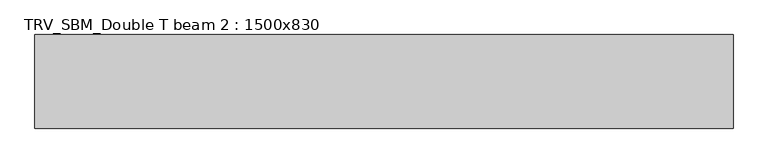
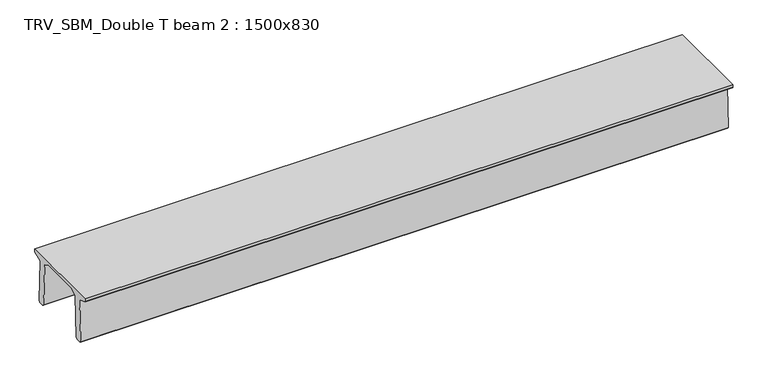
"""IFC4 building model written with IfcOpenShell, lengths in millimetres: beam geometry, TRV_SBM_Double T beam 2 : 1500x830."""

from ifc_helpers import new_model, si_unit, frame, origin, place, context, project, spatial, polyline, outline, extrude, source, transform, mapped, element, save


def trv_sbm_double_t_beam_2_1500x830_b94e79af(model_context):
    return source(origin(), model_context, "Body", "SweptSolid", [
        extrude(outline(polyline([(337.4555014, 470.0), (-343.4555014, 470.0), (-456.5828437, 409.8491251), (-494.786332, -340.5206011), (-514.2657308, -360.0), (-604.2657308, -360.0), (-624.8277662, -339.4379646), (-586.9373878, 401.9654693), (-752.8511046, 468.9989621), (-753.0, 475.0), (-753.0, 520.0), (747.0, 520.0), (747.0, 475.0), (746.8511046, 468.9989621), (580.9373878, 401.9654693), (618.8277662, -339.4379646), (598.2657308, -360.0), (508.2657308, -360.0), (488.786332, -340.5206011), (450.5828437, 409.8491251), (337.4555014, 470.0)])), frame((-5591.5, 0.0, 0.0), z_axis=(1.0, 0.0, 0.0), x_axis=(0.0, 1.0, 0.0)), (0.0, 0.0, 1.0), 11183.0),
    ])


if __name__ == "__main__":
    model = new_model("IFC4")
    model_context = context("Model", 3, world=origin())
    ifc_project = project(units=[si_unit("LENGTHUNIT", "METRE", prefix="MILLI")], contexts=[model_context])
    site = spatial("IfcSite", under=ifc_project)
    building = spatial("IfcBuilding", under=site)
    placement = place(None, origin())
    trv_sbm_double_t_beam_2_1500x830_shape = trv_sbm_double_t_beam_2_1500x830_b94e79af(model_context)
    element("IfcBeam", 1, ObjectType="TRV_SBM_Double T beam 2 : 1500x830", at=placement, inside=building, context=model_context, shape_type="MappedRepresentation", body=[
        mapped(trv_sbm_double_t_beam_2_1500x830_shape, transform((0.0, 0.0, 0.0), x_axis=(1.0, 0.0, 0.0), y_axis=(0.0, 1.0, 0.0), z_axis=(0.0, 0.0, 1.0))),
    ])
    save(model, "model.ifc")
